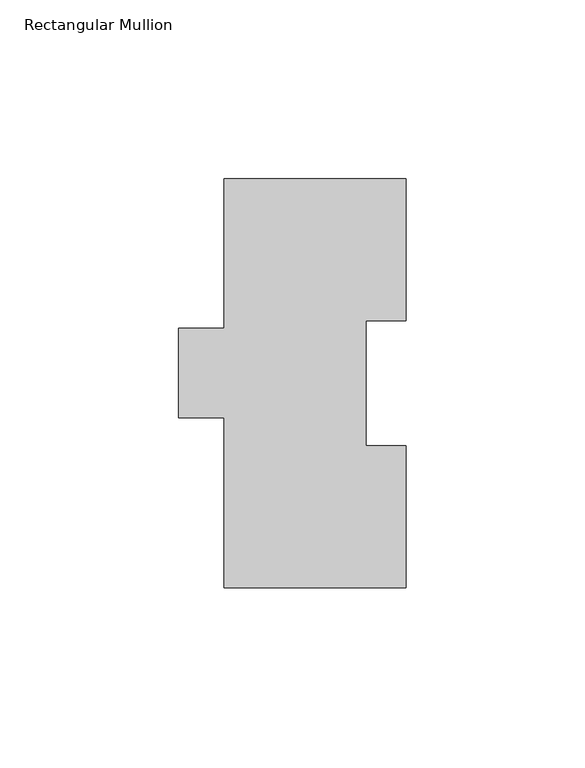
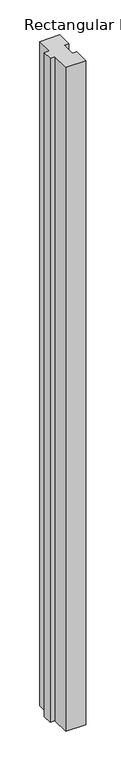
"""IFC4 building model written with IfcOpenShell, lengths in millimetres: member geometry, Rectangular Mullion."""

from ifc_helpers import new_model, si_unit, frame, origin, place, context, project, spatial, polyline, outline, extrude, source, transform, mapped, element, save


def rectangular_mullion_ed617b45(model_context):
    return source(origin(), model_context, "Body", "SweptSolid", [
        extrude(outline(polyline([(0.0, 114.271425), (0.0, 74.596625), (-11.1252, 74.596625), (-11.1252, 39.646225), (0.0, 39.646225), (0.0, -0.028575), (-50.8, -0.028575), (-50.8, 47.596425), (-63.5, 47.596425), (-63.5, 72.564625), (-50.8, 72.564625), (-50.8, 114.271425), (0.0, 114.271425)])), frame((0.0, 0.0, -1790.7), z_axis=(0.0, 0.0, 1.0), x_axis=(1.0, 0.0, 0.0)), (0.0, 0.0, 1.0), 1790.7),
    ])


if __name__ == "__main__":
    model = new_model("IFC4")
    model_context = context("Model", 3, world=origin())
    ifc_project = project(units=[si_unit("LENGTHUNIT", "METRE", prefix="MILLI")], contexts=[model_context])
    site = spatial("IfcSite", under=ifc_project)
    building = spatial("IfcBuilding", under=site)
    placement = place(None, origin())
    rectangular_mullion_shape = rectangular_mullion_ed617b45(model_context)
    element("IfcMember", 1, ObjectType="Rectangular Mullion", at=placement, inside=building, context=model_context, shape_type="MappedRepresentation", body=[
        mapped(rectangular_mullion_shape, transform((0.0, 0.0, 0.0), x_axis=(1.0, 0.0, 0.0), y_axis=(0.0, 1.0, 0.0), z_axis=(0.0, 0.0, 1.0))),
    ])
    save(model, "model.ifc")
